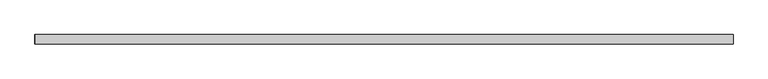
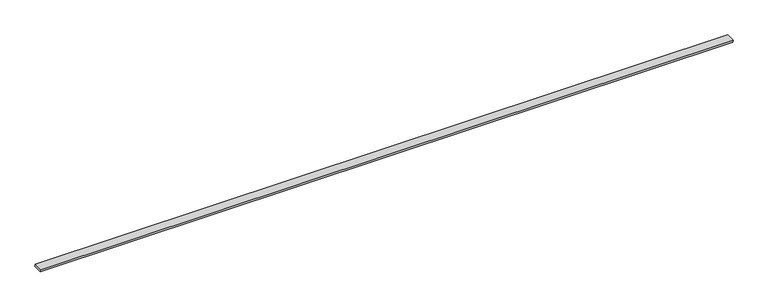
"""IFC4 building model written with IfcOpenShell, lengths in millimetres: plate geometry."""

from ifc_helpers import new_model, si_unit, frame, origin, place, context, project, spatial, polyline, outline, extrude, source, transform, mapped, element, save


def plate_91b25ef8(model_context):
    return source(origin(), model_context, "Body", "SweptSolid", [
        extrude(outline(polyline([(0.0, -919.5904267), (0.0, 918.8149807), (5.7122244, 919.5904267), (5.7122244, -918.0598408), (0.0, -919.5904267)])), frame((0.0, 24.5, 0.0), z_axis=(0.0, 1.0, 0.0), x_axis=(0.0, 0.0, 1.0)), (0.0, 0.0, 1.0), 25.0),
    ])


if __name__ == "__main__":
    model = new_model("IFC4")
    model_context = context("Model", 3, world=origin())
    ifc_project = project(units=[si_unit("LENGTHUNIT", "METRE", prefix="MILLI")], contexts=[model_context])
    site = spatial("IfcSite", under=ifc_project)
    building = spatial("IfcBuilding", under=site)
    placement = place(None, origin())
    plate_shape = plate_91b25ef8(model_context)
    element("IfcPlate", 1, at=placement, inside=building, context=model_context, shape_type="MappedRepresentation", body=[
        mapped(plate_shape, transform((0.0, 0.0, 0.0), x_axis=(1.0, 0.0, 0.0), y_axis=(0.0, 1.0, 0.0), z_axis=(0.0, 0.0, 1.0))),
    ])
    save(model, "model.ifc")
